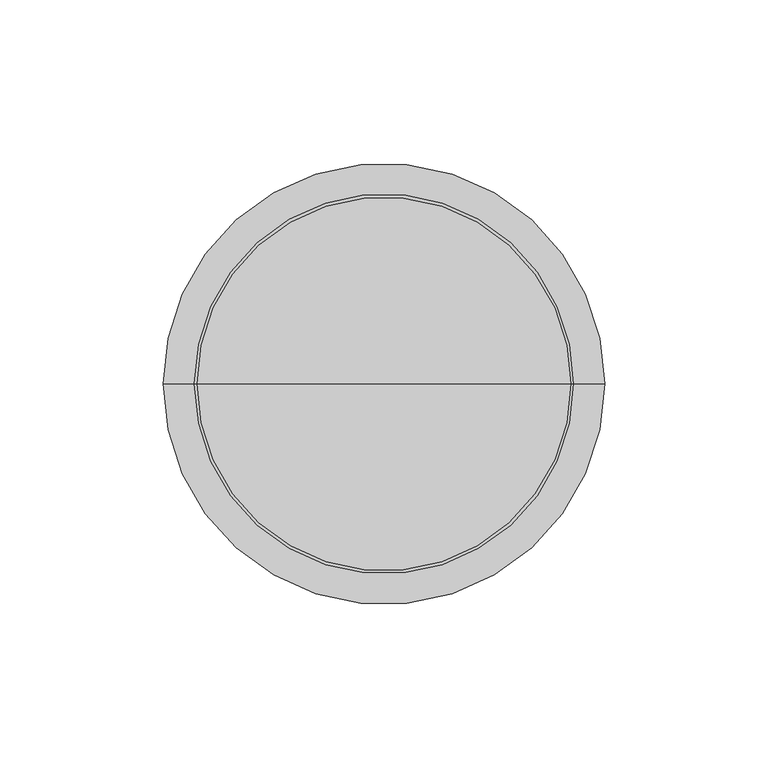
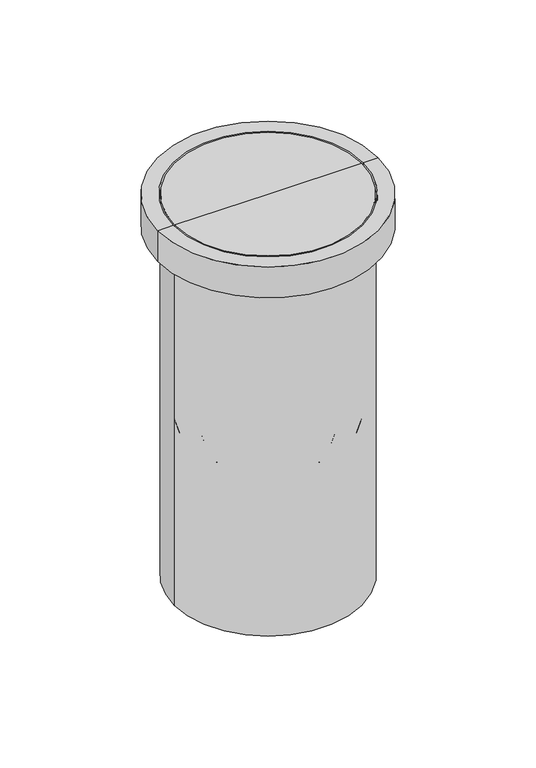
"""IFC4 building model written with IfcOpenShell, lengths in millimetres: proxy geometry."""

import ifcopenshell
import ifcopenshell.guid

model = None  # the IFC model being written
_history = None  # IfcOwnerHistory: only IFC2X3 demands one
_inside = {}  # id of a spatial element -> (the spatial element, [elements in it])
_under = {}  # id of a project, library or spatial element -> (it, [spatial elements below it])
_declared = {}  # id of a project -> (the project, [libraries it declares])
_typed = {}  # id of a type object -> (the type object, [elements of that type])
_made_of = {}  # id of a material, layer set ... -> (it, [elements and type objects made of it])


def new_model(schema):
    """Start an empty IFC model of exactly this schema.

    Asked for "IFC4X3", IfcOpenShell would pick the latest addendum, in which some entities
    have other attributes; the version numbers below select the first issue.
    IFC2X3 requires an IfcOwnerHistory on every rooted entity: one is made here for all.
    """
    global model, _history
    if schema == "IFC4X3":
        model = ifcopenshell.file(schema_version=(4, 3, 0, 0))
    else:
        model = ifcopenshell.file(schema=schema)
    _inside.clear()
    _under.clear()
    _declared.clear()
    _typed.clear()
    _made_of.clear()
    _history = None
    if model.schema == "IFC2X3":
        org = make("IfcOrganization", Name="unknown")
        user = make(
            "IfcPersonAndOrganization",
            ThePerson=make("IfcPerson", FamilyName="unknown"),
            TheOrganization=org,
        )
        app = make(
            "IfcApplication",
            ApplicationDeveloper=org,
            Version="unknown",
            ApplicationFullName="unknown",
            ApplicationIdentifier="unknown",
        )
        _history = make(
            "IfcOwnerHistory",
            OwningUser=user,
            OwningApplication=app,
            ChangeAction="ADDED",
            CreationDate=0,
        )
    return model


def make(cls, **values):
    """One entity of the class cls with the attributes given. An attribute that is None is left unset."""
    return model.create_entity(
        cls, **{name: value for name, value in values.items() if value is not None}
    )


def rooted(cls, **values):
    """An entity with a GlobalId (a new one), such as an element, a storey or a relation."""
    return make(cls, GlobalId=ifcopenshell.guid.new(), OwnerHistory=_history, **values)


def si_unit(unit_type, name, prefix=None):
    """IfcSIUnit, for example si_unit("LENGTHUNIT", "METRE", prefix="MILLI")."""
    return make("IfcSIUnit", UnitType=unit_type, Prefix=prefix, Name=name)


def assignment(units):
    """IfcUnitAssignment: the units of a project."""
    return None if units is None else make("IfcUnitAssignment", Units=units)


def point(xyz):
    """IfcCartesianPoint."""
    return None if xyz is None else make("IfcCartesianPoint", Coordinates=xyz)


def direction(xyz):
    """IfcDirection."""
    return None if xyz is None else make("IfcDirection", DirectionRatios=xyz)


def frame(location, z_axis=None, x_axis=None):
    """IfcAxis2Placement3D, a coordinate frame: its origin and axes. An axis left out is left unset."""
    return make(
        "IfcAxis2Placement3D",
        Location=point(location),
        Axis=direction(z_axis),
        RefDirection=direction(x_axis),
    )


def origin():
    """The frame at (0, 0, 0) with its axes left unset."""
    return frame((0.0, 0.0, 0.0))


def place(relative_to, where):
    """IfcLocalPlacement: puts the frame where relative to a parent placement (None: the world)."""
    return make(
        "IfcLocalPlacement", PlacementRelTo=relative_to, RelativePlacement=where
    )


def context(
    kind, dimensions, precision=None, world=None, true_north=None, identifier=None
):
    """IfcGeometricRepresentationContext, for example the 3D "Model" context."""
    return make(
        "IfcGeometricRepresentationContext",
        ContextIdentifier=identifier,
        ContextType=kind,
        CoordinateSpaceDimension=dimensions,
        Precision=precision,
        WorldCoordinateSystem=world,
        TrueNorth=true_north,
    )


def project(units=None, contexts=None):
    """IfcProject with its units and contexts."""
    return rooted(
        "IfcProject",
        Name="project",
        RepresentationContexts=contexts,
        UnitsInContext=assignment(units),
    )


def spatial(cls, under=None, at=None, **own):
    """A site, building, storey or space (cls), placed at a placement, below another one or the project."""
    s = rooted(cls, ObjectPlacement=at, **own)
    if under is not None:
        _under.setdefault(under.id(), (under, []))[1].append(s)
    return s


def polyline(points):
    """IfcPolyline through the points."""
    return make("IfcPolyline", Points=[point(p) for p in points])


def circle_curve(where, radius):
    """IfcCircle in the frame where."""
    return make("IfcCircle", Position=where, Radius=radius)


def ellipse_curve(where, semi_axis1, semi_axis2):
    """IfcEllipse in the frame where."""
    return make(
        "IfcEllipse", Position=where, SemiAxis1=semi_axis1, SemiAxis2=semi_axis2
    )


def trimmed(basis, trim1, trim2, sense, master):
    """IfcTrimmedCurve: the piece of a basis curve between two trims."""
    return make(
        "IfcTrimmedCurve",
        BasisCurve=basis,
        Trim1=trim1,
        Trim2=trim2,
        SenseAgreement=sense,
        MasterRepresentation=master,
    )


def shape(context_of_items, identifier, shape_type, items):
    """IfcShapeRepresentation: the items that make up one representation, for example the "Body"."""
    return make(
        "IfcShapeRepresentation",
        ContextOfItems=context_of_items,
        RepresentationIdentifier=identifier,
        RepresentationType=shape_type,
        Items=items,
    )


def source(mapping_origin, context_of_items, identifier, shape_type, items):
    """IfcRepresentationMap: a shape defined once, which mapped items show again and again."""
    return make(
        "IfcRepresentationMap",
        MappingOrigin=mapping_origin,
        MappedRepresentation=shape(context_of_items, identifier, shape_type, items),
    )


def transform(
    local_origin,
    x_axis=None,
    y_axis=None,
    z_axis=None,
    scale=None,
    scale2=None,
    scale3=None,
    uniform=True,
):
    """IfcCartesianTransformationOperator3D, or its non-uniform kind. x_axis, y_axis, z_axis: its Axis1, 2, 3."""
    if uniform:
        return make(
            "IfcCartesianTransformationOperator3D",
            Axis1=direction(x_axis),
            Axis2=direction(y_axis),
            LocalOrigin=point(local_origin),
            Scale=scale,
            Axis3=direction(z_axis),
        )
    return make(
        "IfcCartesianTransformationOperator3DnonUniform",
        Axis1=direction(x_axis),
        Axis2=direction(y_axis),
        LocalOrigin=point(local_origin),
        Scale=scale,
        Axis3=direction(z_axis),
        Scale2=scale2,
        Scale3=scale3,
    )


def mapped(mapping_source, mapping_target):
    """IfcMappedItem: shows the shape of a source again, moved by a transform."""
    return make(
        "IfcMappedItem", MappingSource=mapping_source, MappingTarget=mapping_target
    )


def made_of(thing, what):
    """Note that an element or type object is made of a material, layer set ...; save() writes the relation."""
    if what is not None:
        _made_of.setdefault(what.id(), (what, []))[1].append(thing)
    return thing


def element(
    cls,
    number,
    at=None,
    inside=None,
    cuts=None,
    type_object=None,
    material=None,
    context=None,
    identifier="Body",
    shape_type=None,
    held_by="IfcProductDefinitionShape",
    body=None,
    shapes=None,
    **own,
):
    """One element of the class cls, such as IfcWall. Its Tag is "e" and its number.

    at: its placement. inside: the storey or other place that contains it. cuts: it is an
    opening in that element (IfcRelVoidsElement). A single representation is given by context,
    identifier, shape_type and body (its items); several are given by shapes. held_by: the class
    of the entity that holds the representations. save() writes the other relations.
    """
    e = rooted(cls, Tag="e%d" % number, ObjectPlacement=at, **own)
    if body is not None:
        shapes = [shape(context, identifier, shape_type, body)]
    if shapes is not None:
        e.Representation = make(held_by, Representations=shapes)
    if inside is not None:
        _inside.setdefault(inside.id(), (inside, []))[1].append(e)
    if cuts is not None:
        rooted(
            "IfcRelVoidsElement", RelatingBuildingElement=cuts, RelatedOpeningElement=e
        )
    if type_object is not None:
        _typed.setdefault(type_object.id(), (type_object, []))[1].append(e)
    return made_of(e, material)


def aggregate(whole, parts):
    """IfcRelAggregates: a whole, such as a stair, and the parts it consists of."""
    return rooted("IfcRelAggregates", RelatingObject=whole, RelatedObjects=parts)


def save(model, path):
    """Write the relations noted so far, then the file.

    IfcRelAggregates (storeys below a building ...), IfcRelContainedInSpatialStructure (elements
    in a storey), IfcRelDefinesByType, IfcRelAssociatesMaterial and IfcRelDeclares: one each for
    every whole, place, type object, material and project.
    """
    for whole, parts in _under.values():
        aggregate(whole, parts)
    for where, things in _inside.values():
        rooted(
            "IfcRelContainedInSpatialStructure",
            RelatedElements=things,
            RelatingStructure=where,
        )
    for kind, things in _typed.values():
        rooted("IfcRelDefinesByType", RelatedObjects=things, RelatingType=kind)
    for what, things in _made_of.values():
        rooted("IfcRelAssociatesMaterial", RelatedObjects=things, RelatingMaterial=what)
    for by, libraries in _declared.values():
        rooted("IfcRelDeclares", RelatingContext=by, RelatedDefinitions=libraries)
    model.write(path)


def plane_surface(at):
    """IfcPlane: the flat surface through the origin of the frame at, square to its z axis."""
    return make("IfcPlane", Position=at)


def cylinder_surface(at, radius):
    """IfcCylindricalSurface: all points at the distance radius from the z axis of the frame at."""
    return make("IfcCylindricalSurface", Position=at, Radius=radius)


def revolved_surface(curve, axis_point, axis_direction):
    """IfcSurfaceOfRevolution: the curve turned about the line through axis_point along axis_direction."""
    return make(
        "IfcSurfaceOfRevolution",
        SweptCurve=make("IfcArbitraryOpenProfileDef", ProfileType="CURVE", Curve=curve),
        AxisPosition=make("IfcAxis1Placement", Location=point(axis_point), Axis=direction(axis_direction)),
    )


def advanced_brep(points, edges, surfaces, faces):
    """IfcAdvancedBrep: a solid bounded by faces that lie on surfaces and meet in shared edges.

    An edge is (start, end): straight between two places in points (the first is 0);
    or (start, end, curve); or (start, end, curve, False) where it runs against its curve.
    A face is (place in surfaces, loops), or (place, loops, False) where it looks against
    its surface's normal. A loop lists edges by number (the first is 1), with a minus sign
    where the edge is run from its end to its start. The first loop is the outer one.
    """
    corners = [point(p) for p in points]
    vertices = [make("IfcVertexPoint", VertexGeometry=c) for c in corners]
    made = []
    for start, end, *more in edges:
        made.append(
            make(
                "IfcEdgeCurve",
                EdgeStart=vertices[start],
                EdgeEnd=vertices[end],
                EdgeGeometry=more[0] if more else make("IfcPolyline", Points=[corners[start], corners[end]]),
                SameSense=more[1] if len(more) > 1 else True,
            )
        )
    hull = []
    for where, loops, *sense in faces:
        bounds = []
        for j, loop in enumerate(loops):
            ring = [make("IfcOrientedEdge", EdgeElement=made[abs(k) - 1], Orientation=k > 0) for k in loop]
            bounds.append(
                make(
                    "IfcFaceOuterBound" if j == 0 else "IfcFaceBound",
                    Bound=make("IfcEdgeLoop", EdgeList=ring),
                    Orientation=True,
                )
            )
        hull.append(make("IfcAdvancedFace", Bounds=bounds, FaceSurface=surfaces[where], SameSense=sense[0] if sense else True))
    return make("IfcAdvancedBrep", Outer=make("IfcClosedShell", CfsFaces=hull))


def generic_models_9daf806a(model_context):
    return source(origin(), model_context, "Body", "AdvancedBrep", [
        advanced_brep(
        [(35.0, 0.0, -246.0), (-35.0, 0.0, -246.0), (-57.5, 0.0, -246.0), (57.5, 0.0, -246.0), (35.0, 0.0, -155.0), (-35.0, 0.0, -155.0), (40.0, 0.0, -150.0), (-40.0, 0.0, -150.0), (50.0, 0.0, -140.0), (-50.0, 0.0, -140.0), (50.0, 0.0, -27.5), (-50.0, 0.0, -27.5), (57.5, 0.0, -20.0), (-57.5, 0.0, -20.0)],
        [
            (0, 1, circle_curve(frame((0.0, 0.0, -246.0), z_axis=(0.0, 0.0, 1.0), x_axis=(-1.0, 0.0, 0.0)), 35.0)),
            (1, 2),
            (2, 3, circle_curve(frame((0.0, 0.0, -246.0), z_axis=(0.0, 0.0, -1.0), x_axis=(-1.0, 0.0, 0.0)), 57.5)),
            (3, 0),
            (1, 0, circle_curve(frame((0.0, 0.0, -246.0), z_axis=(0.0, 0.0, 1.0), x_axis=(-1.0, 0.0, 0.0)), 35.0)),
            (3, 2, circle_curve(frame((0.0, 0.0, -246.0), z_axis=(0.0, 0.0, -1.0), x_axis=(-1.0, 0.0, 0.0)), 57.5)),
            (4, 5, circle_curve(frame((0.0, 0.0, -155.0), z_axis=(0.0, 0.0, 1.0), x_axis=(-1.0, 0.0, 0.0)), 35.0)),
            (5, 1),
            (0, 4),
            (5, 4, circle_curve(frame((0.0, 0.0, -155.0), z_axis=(0.0, 0.0, 1.0), x_axis=(-1.0, 0.0, 0.0)), 35.0)),
            (6, 7, circle_curve(frame((0.0, 0.0, -150.0), z_axis=(0.0, 0.0, 1.0), x_axis=(-1.0, 0.0, 0.0)), 40.0)),
            (7, 5, circle_curve(frame((-40.0, 0.0, -155.0), z_axis=(0.0, 1.0, 0.0), x_axis=(1.0, 0.0, 0.0)), 5.0)),
            (4, 6, circle_curve(frame((40.0, 0.0, -155.0), z_axis=(0.0, 1.0, 0.0), x_axis=(-1.0, 0.0, 0.0)), 5.0)),
            (7, 6, circle_curve(frame((0.0, 0.0, -150.0), z_axis=(0.0, 0.0, 1.0), x_axis=(-1.0, 0.0, 0.0)), 40.0)),
            (8, 9, circle_curve(frame((0.0, 0.0, -140.0), z_axis=(0.0, 0.0, 1.0), x_axis=(-1.0, 0.0, 0.0)), 50.0)),
            (9, 7, circle_curve(frame((-40.0, 0.0, -140.0), z_axis=(0.0, -1.0, 0.0), x_axis=(1.0, 0.0, 0.0)), 10.0)),
            (6, 8, circle_curve(frame((40.0, 0.0, -140.0), z_axis=(0.0, -1.0, 0.0), x_axis=(-1.0, 0.0, 0.0)), 10.0)),
            (9, 8, circle_curve(frame((0.0, 0.0, -140.0), z_axis=(0.0, 0.0, 1.0), x_axis=(-1.0, 0.0, 0.0)), 50.0)),
            (10, 11, circle_curve(frame((0.0, 0.0, -27.5), z_axis=(0.0, 0.0, 1.0), x_axis=(-1.0, 0.0, 0.0)), 50.0)),
            (11, 9),
            (8, 10),
            (11, 10, circle_curve(frame((0.0, 0.0, -27.5), z_axis=(0.0, 0.0, 1.0), x_axis=(-1.0, 0.0, 0.0)), 50.0)),
            (12, 13, circle_curve(frame((0.0, 0.0, -20.0), z_axis=(0.0, 0.0, 1.0), x_axis=(-1.0, 0.0, 0.0)), 57.5)),
            (13, 11),
            (10, 12),
            (13, 12, circle_curve(frame((0.0, 0.0, -20.0), z_axis=(0.0, 0.0, 1.0), x_axis=(-1.0, 0.0, 0.0)), 57.5)),
            (2, 13),
            (12, 3),
        ],
        [
            plane_surface(frame((0.0, 0.0, -246.0), z_axis=(0.0, 0.0, -1.0), x_axis=(-1.0, 0.0, 0.0))),
            revolved_surface(polyline([(-35.0, 0.0, -246.0), (-35.0, 0.0, -155.0)]), (0.0, 0.0, 2214.3150031), (0.0, 0.0, -1.0)),
            revolved_surface(trimmed(ellipse_curve(frame((-40.0, 0.0, -155.0), z_axis=(0.0, -1.0, 0.0), x_axis=(1.0, 0.0, 0.0)), 5.0, 5.0), [point((-35.0, 0.0, -155.0))], [point((-40.0, 0.0, -150.0))], True, "CARTESIAN"), (0.0, 0.0, 2214.3150031), (0.0, 0.0, -1.0)),
            revolved_surface(trimmed(ellipse_curve(frame((-40.0, 0.0, -140.0), z_axis=(0.0, 1.0, 0.0), x_axis=(1.0, 0.0, 0.0)), 10.0, 10.0), [point((-40.0, 0.0, -150.0))], [point((-50.0, 0.0, -140.0))], True, "CARTESIAN"), (0.0, 0.0, 2214.3150031), (0.0, 0.0, -1.0)),
            revolved_surface(polyline([(-50.0, 0.0, -140.0), (-50.0, 0.0, -27.5)]), (0.0, 0.0, 2214.3150031), (0.0, 0.0, -1.0)),
            revolved_surface(polyline([(-50.0, 0.0, -27.5), (-57.5, 0.0, -20.0)]), (0.0, 0.0, 2214.3150031), (0.0, 0.0, -1.0)),
            cylinder_surface(frame((0.0, 0.0, 2214.3150031), z_axis=(0.0, 0.0, -1.0), x_axis=(-1.0, 0.0, 0.0)), 57.5),
        ],
        [
            (0, [[1, 2, 3, 4]]),
            (0, [[5, -4, 6, -2]]),
            (1, [[7, 8, -1, 9]]),
            (1, [[10, -9, -5, -8]]),
            (2, [[11, 12, -7, 13]]),
            (2, [[14, -13, -10, -12]]),
            (3, [[15, 16, -11, 17]]),
            (3, [[18, -17, -14, -16]]),
            (4, [[19, 20, -15, 21]]),
            (4, [[22, -21, -18, -20]]),
            (5, [[23, 24, -19, 25]]),
            (5, [[26, -25, -22, -24]]),
            (6, [[-3, 27, -23, 28]]),
            (6, [[-6, -28, -26, -27]]),
        ],
    ),
        advanced_brep(
        [(57.5413986, 0.0, -20.0), (-57.5413986, 0.0, -20.0), (-67.5413986, 0.0, -20.0), (67.5413986, 0.0, -20.0), (50.0, 0.0, -27.5413986), (-50.0, 0.0, -27.5413986), (50.0, 0.0, -140.0), (-50.0, 0.0, -140.0), (40.0, 0.0, -150.0), (-40.0, 0.0, -150.0), (35.0, 0.0, -155.0), (-35.0, 0.0, -155.0), (35.0, 0.0, -246.0), (-35.0, 0.0, -246.0), (0.0, 0.0, -246.0), (57.1663986, 0.0, 0.0), (-57.1663986, 0.0, 0.0), (0.0, 0.0, 0.0), (57.1663986, 0.0, -4.6875), (-57.1663986, 0.0, -4.6875), (58.1663986, 0.0, -4.6875), (-58.1663986, 0.0, -4.6875), (58.1663986, 0.0, 0.0), (-58.1663986, 0.0, 0.0), (67.5413986, 0.0, 0.0), (-67.5413986, 0.0, 0.0)],
        [
            (0, 1, circle_curve(frame((0.0, 0.0, -20.0), z_axis=(0.0, 0.0, 1.0), x_axis=(-1.0, 0.0, 0.0)), 57.5413986)),
            (1, 2),
            (2, 3, circle_curve(frame((0.0, 0.0, -20.0), z_axis=(0.0, 0.0, -1.0), x_axis=(-1.0, 0.0, 0.0)), 67.5413986)),
            (3, 0),
            (1, 0, circle_curve(frame((0.0, 0.0, -20.0), z_axis=(0.0, 0.0, 1.0), x_axis=(-1.0, 0.0, 0.0)), 57.5413986)),
            (3, 2, circle_curve(frame((0.0, 0.0, -20.0), z_axis=(0.0, 0.0, -1.0), x_axis=(-1.0, 0.0, 0.0)), 67.5413986)),
            (4, 5, circle_curve(frame((0.0, 0.0, -27.5413986), z_axis=(0.0, 0.0, 1.0), x_axis=(-1.0, 0.0, 0.0)), 50.0)),
            (5, 1),
            (0, 4),
            (5, 4, circle_curve(frame((0.0, 0.0, -27.5413986), z_axis=(0.0, 0.0, 1.0), x_axis=(-1.0, 0.0, 0.0)), 50.0)),
            (6, 7, circle_curve(frame((0.0, 0.0, -140.0), z_axis=(0.0, 0.0, 1.0), x_axis=(-1.0, 0.0, 0.0)), 50.0)),
            (7, 5),
            (4, 6),
            (7, 6, circle_curve(frame((0.0, 0.0, -140.0), z_axis=(0.0, 0.0, 1.0), x_axis=(-1.0, 0.0, 0.0)), 50.0)),
            (8, 9, circle_curve(frame((0.0, 0.0, -150.0), z_axis=(0.0, 0.0, 1.0), x_axis=(-1.0, 0.0, 0.0)), 40.0)),
            (9, 7, circle_curve(frame((-40.0, 0.0, -140.0), z_axis=(0.0, 1.0, 0.0), x_axis=(1.0, 0.0, 0.0)), 10.0)),
            (6, 8, circle_curve(frame((40.0, 0.0, -140.0), z_axis=(0.0, 1.0, 0.0), x_axis=(-1.0, 0.0, 0.0)), 10.0)),
            (9, 8, circle_curve(frame((0.0, 0.0, -150.0), z_axis=(0.0, 0.0, 1.0), x_axis=(-1.0, 0.0, 0.0)), 40.0)),
            (10, 11, circle_curve(frame((0.0, 0.0, -155.0), z_axis=(0.0, 0.0, 1.0), x_axis=(-1.0, 0.0, 0.0)), 35.0)),
            (11, 9, circle_curve(frame((-40.0, 0.0, -155.0), z_axis=(0.0, -1.0, 0.0), x_axis=(1.0, 0.0, 0.0)), 5.0)),
            (8, 10, circle_curve(frame((40.0, 0.0, -155.0), z_axis=(0.0, -1.0, 0.0), x_axis=(-1.0, 0.0, 0.0)), 5.0)),
            (11, 10, circle_curve(frame((0.0, 0.0, -155.0), z_axis=(0.0, 0.0, 1.0), x_axis=(-1.0, 0.0, 0.0)), 35.0)),
            (12, 13, circle_curve(frame((0.0, 0.0, -246.0), z_axis=(0.0, 0.0, 1.0), x_axis=(-1.0, 0.0, 0.0)), 35.0)),
            (13, 11),
            (10, 12),
            (13, 12, circle_curve(frame((0.0, 0.0, -246.0), z_axis=(0.0, 0.0, 1.0), x_axis=(-1.0, 0.0, 0.0)), 35.0)),
            (14, 13),
            (12, 14),
            (15, 16, circle_curve(frame((0.0, 0.0, 0.0), z_axis=(0.0, 0.0, 1.0), x_axis=(-1.0, 0.0, 0.0)), 57.1663986)),
            (16, 17),
            (17, 15),
            (16, 15, circle_curve(frame((0.0, 0.0, 0.0), z_axis=(0.0, 0.0, 1.0), x_axis=(-1.0, 0.0, 0.0)), 57.1663986)),
            (18, 19, circle_curve(frame((0.0, 0.0, -4.6875), z_axis=(0.0, 0.0, 1.0), x_axis=(-1.0, 0.0, 0.0)), 57.1663986)),
            (19, 16),
            (15, 18),
            (19, 18, circle_curve(frame((0.0, 0.0, -4.6875), z_axis=(0.0, 0.0, 1.0), x_axis=(-1.0, 0.0, 0.0)), 57.1663986)),
            (20, 21, circle_curve(frame((0.0, 0.0, -4.6875), z_axis=(0.0, 0.0, 1.0), x_axis=(-1.0, 0.0, 0.0)), 58.1663986)),
            (21, 19),
            (18, 20),
            (21, 20, circle_curve(frame((0.0, 0.0, -4.6875), z_axis=(0.0, 0.0, 1.0), x_axis=(-1.0, 0.0, 0.0)), 58.1663986)),
            (22, 23, circle_curve(frame((0.0, 0.0, 0.0), z_axis=(0.0, 0.0, 1.0), x_axis=(-1.0, 0.0, 0.0)), 58.1663986)),
            (23, 21),
            (20, 22),
            (23, 22, circle_curve(frame((0.0, 0.0, 0.0), z_axis=(0.0, 0.0, 1.0), x_axis=(-1.0, 0.0, 0.0)), 58.1663986)),
            (24, 25, circle_curve(frame((0.0, 0.0, 0.0), z_axis=(0.0, 0.0, 1.0), x_axis=(-1.0, 0.0, 0.0)), 67.5413986)),
            (25, 23),
            (22, 24),
            (25, 24, circle_curve(frame((0.0, 0.0, 0.0), z_axis=(0.0, 0.0, 1.0), x_axis=(-1.0, 0.0, 0.0)), 67.5413986)),
            (2, 25),
            (24, 3),
        ],
        [
            plane_surface(frame((0.0, 0.0, -20.0), z_axis=(0.0, 0.0, -1.0), x_axis=(-1.0, 0.0, 0.0))),
            revolved_surface(polyline([(-57.5413986, 0.0, -20.0), (-50.0, 0.0, -27.5413986)]), (0.0, 0.0, 2214.3150031), (0.0, 0.0, -1.0)),
            cylinder_surface(frame((0.0, 0.0, 2214.3150031), z_axis=(0.0, 0.0, -1.0), x_axis=(-1.0, 0.0, 0.0)), 50.0),
            revolved_surface(trimmed(ellipse_curve(frame((-40.0, 0.0, -140.0), z_axis=(0.0, -1.0, 0.0), x_axis=(1.0, 0.0, 0.0)), 10.0, 10.0), [point((-50.0, 0.0, -140.0))], [point((-40.0, 0.0, -150.0))], True, "CARTESIAN"), (0.0, 0.0, 2214.3150031), (0.0, 0.0, -1.0)),
            revolved_surface(trimmed(ellipse_curve(frame((-40.0, 0.0, -155.0), z_axis=(0.0, 1.0, 0.0), x_axis=(1.0, 0.0, 0.0)), 5.0, 5.0), [point((-40.0, 0.0, -150.0))], [point((-35.0, 0.0, -155.0))], True, "CARTESIAN"), (0.0, 0.0, 2214.3150031), (0.0, 0.0, -1.0)),
            cylinder_surface(frame((0.0, 0.0, 2214.3150031), z_axis=(0.0, 0.0, -1.0), x_axis=(-1.0, 0.0, 0.0)), 35.0),
            plane_surface(frame((0.0, 0.0, -246.0), z_axis=(0.0, 0.0, -1.0), x_axis=(-1.0, 0.0, 0.0))),
            plane_surface(frame((0.0, 0.0, 0.0), z_axis=(0.0, 0.0, 1.0), x_axis=(-1.0, 0.0, 0.0))),
            cylinder_surface(frame((0.0, 0.0, 2214.3150031), z_axis=(0.0, 0.0, -1.0), x_axis=(-1.0, 0.0, 0.0)), 57.1663986),
            plane_surface(frame((0.0, 0.0, -4.6875), z_axis=(0.0, 0.0, 1.0), x_axis=(-1.0, 0.0, 0.0))),
            revolved_surface(polyline([(-58.1663986, 0.0, -4.6875), (-58.1663986, 0.0, 0.0)]), (0.0, 0.0, 2214.3150031), (0.0, 0.0, -1.0)),
            cylinder_surface(frame((0.0, 0.0, 2214.3150031), z_axis=(0.0, 0.0, -1.0), x_axis=(-1.0, 0.0, 0.0)), 67.5413986),
        ],
        [
            (0, [[1, 2, 3, 4]]),
            (0, [[5, -4, 6, -2]]),
            (1, [[7, 8, -1, 9]]),
            (1, [[10, -9, -5, -8]]),
            (2, [[11, 12, -7, 13]]),
            (2, [[14, -13, -10, -12]]),
            (3, [[15, 16, -11, 17]]),
            (3, [[18, -17, -14, -16]]),
            (4, [[19, 20, -15, 21]]),
            (4, [[22, -21, -18, -20]]),
            (5, [[23, 24, -19, 25]]),
            (5, [[26, -25, -22, -24]]),
            (6, [[27, -23, 28]]),
            (6, [[-28, -26, -27]]),
            (7, [[29, 30, 31]]),
            (7, [[32, -31, -30]]),
            (8, [[33, 34, -29, 35]]),
            (8, [[36, -35, -32, -34]]),
            (9, [[37, 38, -33, 39]]),
            (9, [[40, -39, -36, -38]]),
            (10, [[41, 42, -37, 43]]),
            (10, [[44, -43, -40, -42]]),
            (7, [[45, 46, -41, 47]]),
            (7, [[48, -47, -44, -46]]),
            (11, [[-3, 49, -45, 50]]),
            (11, [[-6, -50, -48, -49]]),
        ],
    ),
    ])


if __name__ == "__main__":
    model = new_model("IFC4")
    model_context = context("Model", 3, world=origin())
    ifc_project = project(units=[si_unit("LENGTHUNIT", "METRE", prefix="MILLI")], contexts=[model_context])
    site = spatial("IfcSite", under=ifc_project)
    building = spatial("IfcBuilding", under=site)
    placement = place(None, origin())
    generic_models_shape = generic_models_9daf806a(model_context)
    element("IfcBuildingElementProxy", 1, Name="Generic Models", at=placement, inside=building, context=model_context, shape_type="MappedRepresentation", body=[
        mapped(generic_models_shape, transform((0.0, 0.0, 0.0), x_axis=(1.0, 0.0, 0.0), y_axis=(0.0, 1.0, 0.0), z_axis=(0.0, 0.0, 1.0))),
    ])
    save(model, "model.ifc")
